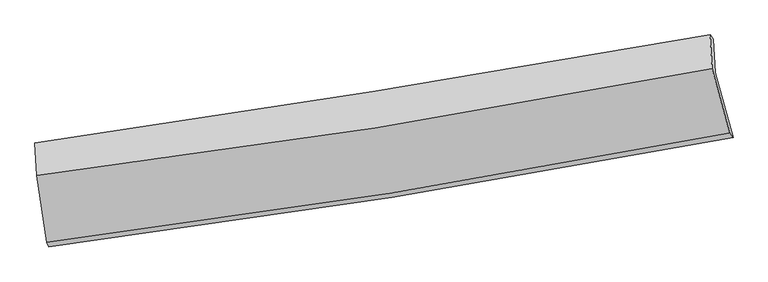
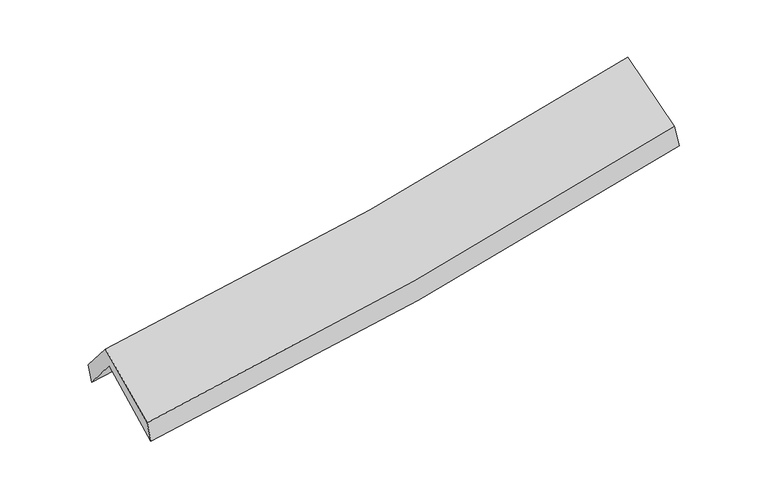
"""IFC4 building model written with IfcOpenShell, lengths in millimetres: proxy geometry."""

from ifc_helpers import new_model, si_unit, frame, origin, place, context, project, spatial, source, transform, mapped, element, save
from ifc_brep_helpers import plane_surface, spline_curve, spline_surface, advanced_brep


def generic_models_3e04900c(model_context):
    return source(origin(), model_context, "Body", "AdvancedBrep", [
        advanced_brep(
        [(-2559.4398527, -2501.1158859, 1478.0927003), (-2639.7632237, -1989.6607383, 1919.7953617), (2574.588321, -1156.8255918, 2380.2248089), (2713.8749155, -1654.9558251, 1947.2519677), (-2652.7293244, -1732.6610711, 1608.1165328), (2562.0792101, -898.9822183, 2067.6517056), (-2664.359915, -1698.0477014, 1758.6727813), (2536.9492203, -864.2892486, 2236.7705211), (-2651.2838768, -1948.7105081, 2054.2975779), (2552.3418294, -1125.7057003, 2529.2659767), (-2571.5363439, -2465.6655692, 1635.8866127), (2688.3041716, -1622.4711683, 2123.9824259)],
        [
            (0, 1),
            (1, 2, spline_curve(3, [(-2639.7632237, -1989.6607383, 1919.7953617), (-1765.171727348, -1878.567940054, 1964.429234761), (-894.00854082, -1753.746275881, 2025.031829632), (844.129759423, -1476.219130965, 2178.409943911), (1711.083754566, -1323.429079612, 2271.283831328), (2574.588321, -1156.8255918, 2380.2248089)], [4, 2, 4], [0.0, 8.734334912416438, 17.495530544487508])),
            (2, 3),
            (3, 0, spline_curve(3, [(2713.8749155, -1654.9558251, 1947.2519677), (1841.154698242, -1821.837348872, 1838.495130309), (964.671250846, -1975.880026423, 1744.98345095), (-793.123378271, -2257.854776058, 1588.690364921), (-1674.411520507, -2385.865452234, 1525.815621425), (-2559.4398527, -2501.1158859, 1478.0927003)], [4, 2, 4], [0.0, 8.76119563207107, 17.495530544487508])),
            (1, 4),
            (4, 5, spline_curve(3, [(-2652.7293244, -1732.6610711, 1608.1165328), (-1778.144254575, -1619.598198428, 1650.379187842), (-906.946320653, -1493.719891563, 1709.72005952), (831.344055938, -1215.905884466, 1862.793247473), (1698.415633344, -1063.891240228, 1956.630766921), (2562.0792101, -898.9822183, 2067.6517056)], [4, 2, 4], [0.0, 8.685125263557362, 17.396959912226365])),
            (5, 2),
            (4, 6),
            (6, 7, spline_curve(3, [(-2664.359915, -1698.0477014, 1758.6727813), (-1795.062992698, -1573.626297036, 1820.755840386), (-927.634690463, -1442.053392213, 1891.564263361), (806.146532287, -1164.177961513, 2050.876427872), (1672.487941535, -1017.831382233, 2139.433918227), (2536.9492203, -864.2892486, 2236.7705211)], [4, 2, 4], [0.0, 8.674765083910296, 17.376207692248634])),
            (7, 5),
            (6, 8),
            (8, 9, spline_curve(3, [(-2651.2838768, -1948.7105081, 2054.2975779), (-1778.683768334, -1843.269720349, 2109.749266698), (-909.40888168, -1722.095081551, 2176.97693581), (825.153503816, -1447.857067265, 2335.227194689), (1690.420519556, -1294.696769925, 2426.322325159), (2552.3418294, -1125.7057003, 2529.2659767)], [4, 2, 4], [0.0, 8.665314717076972, 17.35727789584777])),
            (9, 7),
            (8, 10),
            (10, 11, spline_curve(3, [(-2571.5363439, -2465.6655692, 1635.8866127), (-1688.975763111, -2354.052020316, 1695.096734155), (-810.042800291, -2228.108958499, 1765.297099253), (943.259718172, -1947.13242914, 1927.928003209), (1817.606927012, -1792.010690298, 2020.426242148), (2688.3041716, -1622.4711683, 2123.9824259)], [4, 2, 4], [0.0, 8.71522373144745, 17.457249409892032])),
            (11, 9),
            (10, 0),
            (3, 11),
        ],
        [
            spline_surface(3, 3, [[(-2559.4398527, -2501.1158859, 1478.0927003), (-1674.41152044, -2385.865452103, 1525.815621416), (-793.123378312, -2257.854776103, 1588.69036479), (964.671250888, -1975.880026378, 1744.983451081), (1841.154698166, -1821.837348793, 1838.495130198), (2713.8749155, -1654.9558251, 1947.2519677)], [(-2586.214309713, -2330.630836675, 1625.326920753), (-1704.66492274, -2216.766281392, 1672.020159176), (-826.751765826, -2089.818609359, 1734.137519797), (924.490753696, -1809.326394605, 1889.458948687), (1797.797716912, -1655.701259093, 1982.75803054), (2667.446050657, -1488.912414002, 2091.576248103)], [(-2612.988766687, -2160.145787525, 1772.561141247), (-1734.918325002, -2047.667110755, 1818.224696976), (-860.380153268, -1921.782442574, 1879.584674721), (884.310256577, -1642.772762789, 2033.934446209), (1754.440735687, -1489.565169387, 2127.020930873), (2621.017185843, -1322.869002898, 2235.900528497)], [(-2639.7632237, -1989.6607383, 1919.7953617), (-1765.171727301, -1878.567940043, 1964.429234736), (-894.008540782, -1753.746275831, 2025.031829728), (844.129759386, -1476.219131015, 2178.409943815), (1711.083754434, -1323.429079687, 2271.283831215), (2574.588321, -1156.8255918, 2380.2248089)]], [4, 4], [4, 2, 4], [0.0, 2.2088258280762894], [0.0, 8.734334912416438, 17.495530544487508]),
            spline_surface(3, 3, [[(-2639.7632237, -1989.6607383, 1919.7953617), (-1765.171727301, -1878.567940043, 1964.429234736), (-894.008540782, -1753.746275831, 2025.031829728), (844.129759386, -1476.219131015, 2178.409943815), (1711.083754434, -1323.429079687, 2271.283831215), (2574.588321, -1156.8255918, 2380.2248089)], [(-2644.085257252, -1903.994182575, 1815.902418756), (-1769.495903035, -1792.244692819, 1859.745885801), (-898.321134039, -1667.070814373, 1919.927906307), (839.867858228, -1389.448048812, 2073.204378382), (1706.861047444, -1236.916466572, 2166.399476441), (2570.41861738, -1070.877800636, 2276.033774474)], [(-2648.407290848, -1818.327626825, 1712.009475744), (-1773.820078813, -1705.921445571, 1755.062536799), (-902.633727334, -1580.395352998, 1814.823982891), (835.605957032, -1302.676966692, 1967.998812954), (1702.638340413, -1150.403853449, 2061.515121645), (2566.24891372, -984.930009464, 2171.842740026)], [(-2652.7293244, -1732.6610711, 1608.1165328), (-1778.144254546, -1619.598198347, 1650.379187865), (-906.946320591, -1493.71989154, 1709.720059471), (831.344055875, -1215.905884489, 1862.793247521), (1698.415633422, -1063.891240334, 1956.630766871), (2562.0792101, -898.9822183, 2067.6517056)]], [4, 4], [4, 2, 4], [0.0, 1.3422282501772203], [0.0, 8.685125263557362, 17.396959912226365]),
            spline_surface(3, 3, [[(-2652.7293244, -1732.6610711, 1608.1165328), (-1778.144254546, -1619.598198347, 1650.379187865), (-906.946320591, -1493.71989154, 1709.720059471), (831.344055875, -1215.905884489, 1862.793247521), (1698.415633422, -1063.891240334, 1956.630766871), (2562.0792101, -898.9822183, 2067.6517056)], [(-2656.60618796, -1721.123281212, 1658.301948947), (-1783.783833965, -1604.274231274, 1707.171405341), (-913.842443855, -1476.497725106, 1770.334794094), (822.944881323, -1198.663243547, 1925.487640957), (1689.77306948, -1048.537954307, 2017.565150608), (2553.70254683, -887.417895071, 2124.024644094)], [(-2660.48305144, -1709.585491288, 1708.487365153), (-1789.423413304, -1588.950264165, 1763.963622875), (-920.738567125, -1459.275558584, 1830.94952875), (814.545706766, -1181.420602518, 1988.182034425), (1681.130505546, -1033.184668267, 2078.499534361), (2545.32588357, -875.853571829, 2180.397582606)], [(-2664.359915, -1698.0477014, 1758.6727813), (-1795.062992723, -1573.626297092, 1820.755840351), (-927.63469039, -1442.05339215, 1891.564263373), (806.146532213, -1164.177961576, 2050.87642786), (1672.487941603, -1017.831382239, 2139.433918098), (2536.9492203, -864.2892486, 2236.7705211)]], [4, 4], [4, 2, 4], [0.0, 0.6346063079406858], [0.0, 8.674765083910296, 17.376207692248634]),
            spline_surface(3, 3, [[(-2664.359915, -1698.0477014, 1758.6727813), (-1795.062992723, -1573.626297092, 1820.755840351), (-927.63469039, -1442.05339215, 1891.564263373), (806.146532213, -1164.177961576, 2050.87642786), (1672.487941603, -1017.831382239, 2139.433918098), (2536.9492203, -864.2892486, 2236.7705211)], [(-2660.001235576, -1781.601970304, 1857.214380171), (-1789.603251203, -1663.507438171, 1917.086982491), (-921.559420846, -1535.400621954, 1986.701820871), (812.482189433, -1258.737663426, 2145.660016811), (1678.465467554, -1110.119844808, 2235.063387138), (2542.080089993, -951.428065833, 2334.269006313)], [(-2655.642556224, -1865.156239196, 1955.755979029), (-1784.143509757, -1753.388579237, 2013.418124618), (-915.484151291, -1628.747851821, 2081.839378329), (818.817846664, -1353.29736534, 2240.443605721), (1684.442993528, -1202.408307377, 2330.692856138), (2547.210959707, -1038.566883067, 2431.767491487)], [(-2651.2838768, -1948.7105081, 2054.2975779), (-1778.683768238, -1843.269720317, 2109.749266757), (-909.408881748, -1722.095081626, 2176.976935828), (825.153503884, -1447.85706719, 2335.227194672), (1690.42051948, -1294.696769945, 2426.322325178), (2552.3418294, -1125.7057003, 2529.2659767)]], [4, 4], [4, 2, 4], [0.0, 1.316233097013695], [0.0, 8.665314717076972, 17.35727789584777]),
            spline_surface(3, 3, [[(-2651.2838768, -1948.7105081, 2054.2975779), (-1778.683768238, -1843.269720317, 2109.749266757), (-909.408881748, -1722.095081626, 2176.976935828), (825.153503884, -1447.85706719, 2335.227194672), (1690.42051948, -1294.696769945, 2426.322325178), (2552.3418294, -1125.7057003, 2529.2659767)], [(-2624.701365834, -2121.02886177, 1914.827256167), (-1748.781099847, -2013.530486955, 1971.53175586), (-876.286854562, -1890.766373949, 2039.750323633), (864.522241918, -1614.282187791, 2199.460797467), (1732.815988641, -1460.468076741, 2291.023630867), (2597.662610134, -1291.294189611, 2394.171459755)], [(-2598.118854866, -2293.34721553, 1775.356934433), (-1718.878431456, -2183.791253684, 1833.314244962), (-843.164827333, -2059.437666298, 1902.523711517), (903.890979995, -1780.707308417, 2063.694400343), (1775.211457799, -1626.239383604, 2155.724936593), (2642.983390866, -1456.882678989, 2259.076942845)], [(-2571.5363439, -2465.6655692, 1635.8866127), (-1688.975763066, -2354.052020323, 1695.096734065), (-810.042800148, -2228.108958621, 1765.297099322), (943.259718029, -1947.132429017, 1927.928003139), (1817.606926961, -1792.0106904, 2020.426242282), (2688.3041716, -1622.4711683, 2123.9824259)]], [4, 4], [4, 2, 4], [0.0, 2.1567553478416333], [0.0, 8.71522373144745, 17.457249409892032]),
            spline_surface(3, 3, [[(-2571.5363439, -2465.6655692, 1635.8866127), (-1688.975763066, -2354.052020323, 1695.096734065), (-810.042800148, -2228.108958621, 1765.297099322), (943.259718029, -1947.132429017, 1927.928003139), (1817.606926961, -1792.0106904, 2020.426242282), (2688.3041716, -1622.4711683, 2123.9824259)], [(-2567.504180167, -2477.482341464, 1583.288641906), (-1684.121015524, -2364.656497613, 1638.669696521), (-804.402992841, -2238.024231128, 1706.42818781), (950.396895677, -1956.714961484, 1866.946485784), (1825.456184034, -1801.952909878, 1959.782538249), (2696.827752905, -1633.299387247, 2065.072273161)], [(-2563.472016433, -2489.299113636, 1530.690671094), (-1679.266267982, -2375.260974813, 1582.242658959), (-798.763185619, -2247.939503595, 1647.559276303), (957.53407324, -1966.297493911, 1805.964968436), (1833.305441092, -1811.895129315, 1899.138834232), (2705.351334195, -1644.127606153, 2006.162120439)], [(-2559.4398527, -2501.1158859, 1478.0927003), (-1674.41152044, -2385.865452103, 1525.815621416), (-793.123378312, -2257.854776103, 1588.69036479), (964.671250888, -1975.880026378, 1744.983451081), (1841.154698166, -1821.837348793, 1838.495130198), (2713.8749155, -1654.9558251, 1947.2519677)]], [4, 4], [4, 2, 4], [0.0, 0.600901127172705], [0.0, 8.773889524201566, 17.57476141044369]),
            plane_surface(frame((2604.6896113, -1220.5382921, 2214.1912343), z_axis=(0.9778308001360605, 0.17905237027773138, 0.10856875703073218), x_axis=(0.2074573085092999, -0.7579865517748989, -0.6183994279383478))),
            plane_surface(frame((-2623.1854227, -2055.9769123, 1742.4769278), z_axis=(-0.9924173041414317, -0.11185765644518197, -0.05094859306442848), x_axis=(-0.07458736835616517, 0.2185878361817809, 0.9729625287517853))),
        ],
        [
            (0, [[1, 2, 3, 4]]),
            (1, [[5, 6, 7, -2]]),
            (2, [[8, 9, 10, -6]]),
            (3, [[11, 12, 13, -9]]),
            (4, [[14, 15, 16, -12]]),
            (5, [[17, -4, 18, -15]]),
            (6, [[-16, -18, -3, -7, -10, -13]]),
            (7, [[-17, -14, -11, -8, -5, -1]]),
        ],
    ),
    ])


if __name__ == "__main__":
    model = new_model("IFC4")
    model_context = context("Model", 3, world=origin())
    ifc_project = project(units=[si_unit("LENGTHUNIT", "METRE", prefix="MILLI")], contexts=[model_context])
    site = spatial("IfcSite", under=ifc_project)
    building = spatial("IfcBuilding", under=site)
    placement = place(None, origin())
    generic_models_shape = generic_models_3e04900c(model_context)
    element("IfcBuildingElementProxy", 1, Name="Generic Models", at=placement, inside=building, context=model_context, shape_type="MappedRepresentation", body=[
        mapped(generic_models_shape, transform((0.0, 0.0, 0.0), x_axis=(1.0, 0.0, 0.0), y_axis=(0.0, 1.0, 0.0), z_axis=(0.0, 0.0, 1.0))),
    ])
    save(model, "model.ifc")
